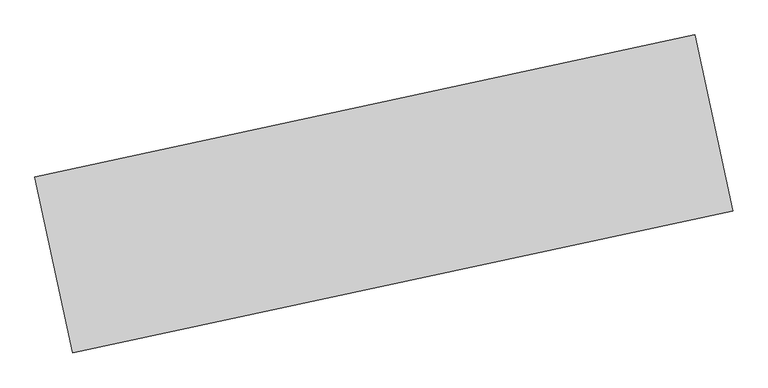
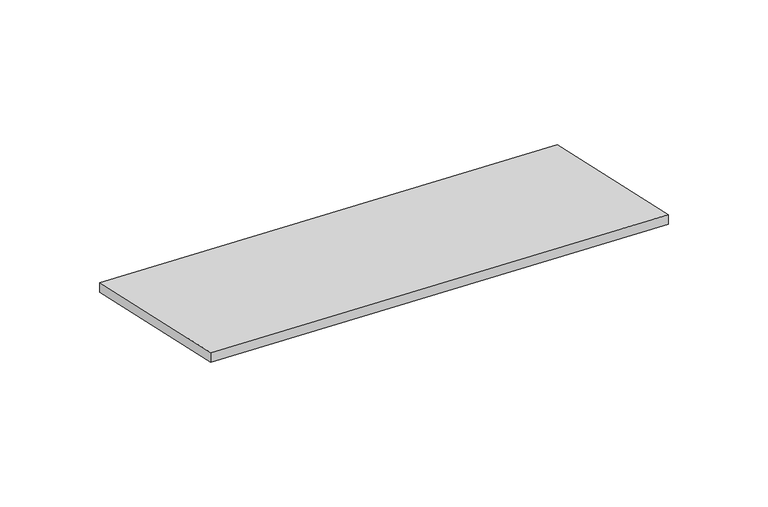
"""IFC4 building model written with IfcOpenShell, lengths in millimetres: ramp geometry."""

from ifc_helpers import new_model, si_unit, frame, origin, place, context, project, spatial, polyline, outline, extrude, source, transform, mapped, element, save


def ramp_f27281be(model_context):
    return source(origin(), model_context, "Body", "SweptSolid", [
        extrude(outline(polyline([(1600.0, -8096.2618785), (0.0, 0.0), (152.9010328, 0.0), (1752.9010328, -8096.2618785), (1600.0, -8096.2618785)])), frame((11279.5935028, -112045.9830484, 1600.0), z_axis=(-0.21084471131924795, 0.9775195689645825, 0.0), x_axis=(0.0, 0.0, -1.0)), (0.0, 0.0, 1.0), 2160.114135),
    ])


if __name__ == "__main__":
    model = new_model("IFC4")
    model_context = context("Model", 3, world=origin())
    ifc_project = project(units=[si_unit("LENGTHUNIT", "METRE", prefix="MILLI")], contexts=[model_context])
    site = spatial("IfcSite", under=ifc_project)
    building = spatial("IfcBuilding", under=site)
    placement = place(None, origin())
    ramp_shape = ramp_f27281be(model_context)
    element("IfcRamp", 1, at=placement, inside=building, context=model_context, shape_type="MappedRepresentation", body=[
        mapped(ramp_shape, transform((0.0, 0.0, 0.0), x_axis=(1.0, 0.0, 0.0), y_axis=(0.0, 1.0, 0.0), z_axis=(0.0, 0.0, 1.0))),
    ])
    save(model, "model.ifc")
